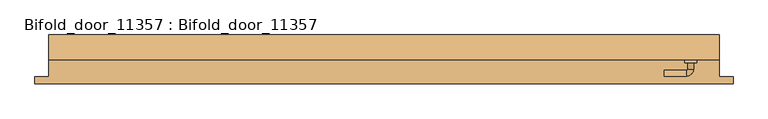
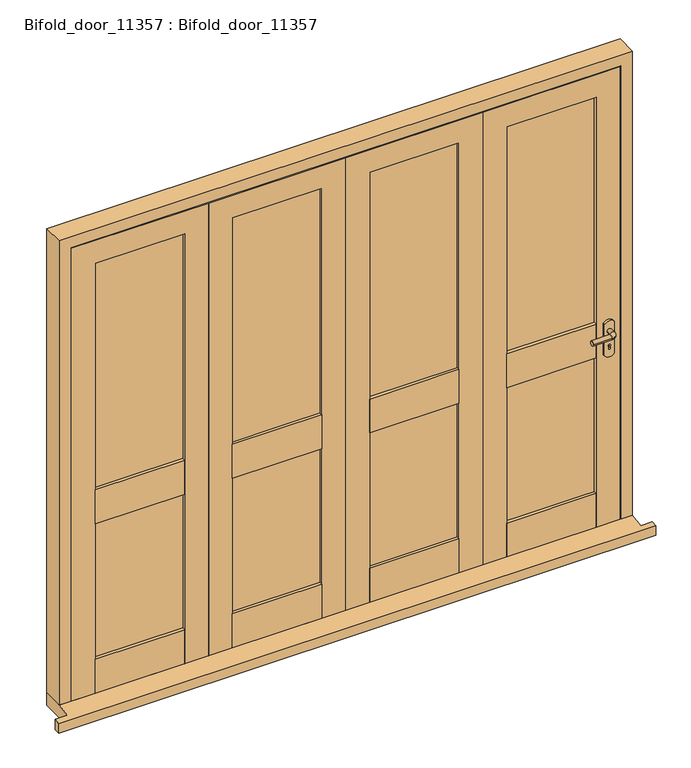
"""IFC4 building model written with IfcOpenShell, lengths in millimetres: door geometry, Bifold_door_11357 : Bifold_door_11357."""

from ifc_helpers import new_model, si_unit, point, frame, frame_2d, origin, place, context, project, spatial, polyline, circle_curve, ellipse_curve, trimmed, segment, composite_curve, outline, extrude, faceted_brep, source, transform, mapped, element, save
from ifc_brep_helpers import plane_surface, cylinder_surface, revolved_surface, advanced_brep


def bifold_door_11357_bifold_door_11357_50c1af08(model_context):
    return source(origin(), model_context, "Body", "SolidModel", [
        extrude(outline(polyline([(100.0, -2.0), (100.0, 12.0), (474.25, 12.0), (474.25, -2.0), (100.0, -2.0)])), frame((0.0, 0.0, 804.5), z_axis=(0.0, 0.0, 1.0), x_axis=(1.0, 0.0, 0.0)), (0.0, 0.0, 1.0), 150.0),
        extrude(outline(polyline([(474.25, 42.0), (474.25, 28.0), (100.0, 28.0), (100.0, 42.0), (474.25, 42.0)])), frame((0.0, 0.0, 804.5), z_axis=(0.0, 0.0, 1.0), x_axis=(1.0, 0.0, 0.0)), (0.0, 0.0, 1.0), 150.0),
        extrude(outline(polyline([(474.25, 28.0), (474.25, 12.0), (100.0, 12.0), (100.0, 28.0), (474.25, 28.0)])), frame((0.0, 0.0, 204.5), z_axis=(0.0, 0.0, 1.0), x_axis=(1.0, 0.0, 0.0)), (0.0, 0.0, 1.0), 1754.0),
        extrude(outline(polyline([(100.0, 42.0), (474.25, 42.0), (474.25, -2.0), (100.0, -2.0), (100.0, 42.0)])), frame((0.0, 0.0, 54.5), z_axis=(0.0, 0.0, 1.0), x_axis=(1.0, 0.0, 0.0)), (0.0, 0.0, 1.0), 150.0),
        extrude(outline(polyline([(54.5, 100.0), (1958.5, 100.0), (1958.5, 474.25), (54.5, 474.25), (54.5, 574.25), (2058.5, 574.25), (2058.5, 0.0), (54.5, 0.0), (54.5, 100.0)])), frame((0.0, -2.0, 0.0), z_axis=(0.0, 1.0, 0.0), x_axis=(0.0, 0.0, 1.0)), (0.0, 0.0, 1.0), 44.0),
        extrude(outline(polyline([(-474.25, -2.0), (-474.25, 12.0), (-100.0, 12.0), (-100.0, -2.0), (-474.25, -2.0)])), frame((0.0, 0.0, 804.5), z_axis=(0.0, 0.0, 1.0), x_axis=(1.0, 0.0, 0.0)), (0.0, 0.0, 1.0), 150.0),
        extrude(outline(polyline([(-100.0, 42.0), (-100.0, 28.0), (-474.25, 28.0), (-474.25, 42.0), (-100.0, 42.0)])), frame((0.0, 0.0, 804.5), z_axis=(0.0, 0.0, 1.0), x_axis=(1.0, 0.0, 0.0)), (0.0, 0.0, 1.0), 150.0),
        extrude(outline(polyline([(-100.0, 28.0), (-100.0, 12.0), (-474.25, 12.0), (-474.25, 28.0), (-100.0, 28.0)])), frame((0.0, 0.0, 204.5), z_axis=(0.0, 0.0, 1.0), x_axis=(1.0, 0.0, 0.0)), (0.0, 0.0, 1.0), 1754.0),
        extrude(outline(polyline([(-474.25, 42.0), (-100.0, 42.0), (-100.0, -2.0), (-474.25, -2.0), (-474.25, 42.0)])), frame((0.0, 0.0, 54.5), z_axis=(0.0, 0.0, 1.0), x_axis=(1.0, 0.0, 0.0)), (0.0, 0.0, 1.0), 150.0),
        extrude(outline(polyline([(54.5, -474.25), (1958.5, -474.25), (1958.5, -100.0), (54.5, -100.0), (54.5, 0.0), (2058.5, 0.0), (2058.5, -574.25), (54.5, -574.25), (54.5, -474.25)])), frame((0.0, -2.0, 0.0), z_axis=(0.0, 1.0, 0.0), x_axis=(0.0, 0.0, 1.0)), (0.0, 0.0, 1.0), 44.0),
        extrude(outline(polyline([(674.25, -2.0), (674.25, 12.0), (1048.5, 12.0), (1048.5, -2.0), (674.25, -2.0)])), frame((0.0, 0.0, 804.5), z_axis=(0.0, 0.0, 1.0), x_axis=(1.0, 0.0, 0.0)), (0.0, 0.0, 1.0), 150.0),
        extrude(outline(polyline([(1048.5, 42.0), (1048.5, 28.0), (674.25, 28.0), (674.25, 42.0), (1048.5, 42.0)])), frame((0.0, 0.0, 804.5), z_axis=(0.0, 0.0, 1.0), x_axis=(1.0, 0.0, 0.0)), (0.0, 0.0, 1.0), 150.0),
        extrude(outline(polyline([(1048.5, 28.0), (1048.5, 12.0), (674.25, 12.0), (674.25, 28.0), (1048.5, 28.0)])), frame((0.0, 0.0, 204.5), z_axis=(0.0, 0.0, 1.0), x_axis=(1.0, 0.0, 0.0)), (0.0, 0.0, 1.0), 1754.0),
        extrude(outline(polyline([(674.25, 42.0), (1048.5, 42.0), (1048.5, -2.0), (674.25, -2.0), (674.25, 42.0)])), frame((0.0, 0.0, 54.5), z_axis=(0.0, 0.0, 1.0), x_axis=(1.0, 0.0, 0.0)), (0.0, 0.0, 1.0), 150.0),
        extrude(outline(polyline([(54.5, 674.25), (1958.5, 674.25), (1958.5, 1048.5), (54.5, 1048.5), (54.5, 1148.5), (2058.5, 1148.5), (2058.5, 574.25), (54.5, 574.25), (54.5, 674.25)])), frame((0.0, -2.0, 0.0), z_axis=(0.0, 1.0, 0.0), x_axis=(0.0, 0.0, 1.0)), (0.0, 0.0, 1.0), 44.0),
        extrude(outline(polyline([(-1048.5, -2.0), (-1048.5, 12.0), (-674.25, 12.0), (-674.25, -2.0), (-1048.5, -2.0)])), frame((0.0, 0.0, 804.5), z_axis=(0.0, 0.0, 1.0), x_axis=(1.0, 0.0, 0.0)), (0.0, 0.0, 1.0), 150.0),
        extrude(outline(polyline([(-674.25, 42.0), (-674.25, 28.0), (-1048.5, 28.0), (-1048.5, 42.0), (-674.25, 42.0)])), frame((0.0, 0.0, 804.5), z_axis=(0.0, 0.0, 1.0), x_axis=(1.0, 0.0, 0.0)), (0.0, 0.0, 1.0), 150.0),
        extrude(outline(polyline([(-674.25, 28.0), (-674.25, 12.0), (-1048.5, 12.0), (-1048.5, 28.0), (-674.25, 28.0)])), frame((0.0, 0.0, 204.5), z_axis=(0.0, 0.0, 1.0), x_axis=(1.0, 0.0, 0.0)), (0.0, 0.0, 1.0), 1754.0),
        extrude(outline(polyline([(-1048.5, 42.0), (-674.25, 42.0), (-674.25, -2.0), (-1048.5, -2.0), (-1048.5, 42.0)])), frame((0.0, 0.0, 54.5), z_axis=(0.0, 0.0, 1.0), x_axis=(1.0, 0.0, 0.0)), (0.0, 0.0, 1.0), 150.0),
        extrude(outline(polyline([(54.5, -1048.5), (1958.5, -1048.5), (1958.5, -674.25), (54.5, -674.25), (54.5, -574.25), (2058.5, -574.25), (2058.5, -1148.5), (54.5, -1148.5), (54.5, -1048.5)])), frame((0.0, -2.0, 0.0), z_axis=(0.0, 1.0, 0.0), x_axis=(0.0, 0.0, 1.0)), (0.0, 0.0, 1.0), 44.0),
        advanced_brep(
        [(1108.5, -12.0, 913.5197851), (1088.5, -12.0, 913.5197851), (1088.5, -35.0, 913.5197851), (1108.5, -35.0, 913.5197851), (1083.5, -40.0, 913.5197851), (1083.5, -60.0, 913.5197851), (1003.3501694, -60.0, 913.5197851), (1003.3501694, -40.0, 913.5197851)],
        [
            (0, 1, circle_curve(frame((1098.5, -12.0, 913.5197851), z_axis=(0.0, 1.0, 0.0), x_axis=(-1.0, 0.0, 0.0)), 10.0)),
            (1, 0, circle_curve(frame((1098.5, -12.0, 913.5197851), z_axis=(0.0, 1.0, 0.0), x_axis=(-1.0, 0.0, 0.0)), 10.0)),
            (1, 2),
            (2, 3, circle_curve(frame((1098.5, -35.0, 913.5197851), z_axis=(0.0, 1.0, 0.0), x_axis=(-1.0, 0.0, 0.0)), 10.0)),
            (3, 0),
            (3, 2, circle_curve(frame((1098.5, -35.0, 913.5197851), z_axis=(0.0, 1.0, 0.0), x_axis=(-1.0, 0.0, 0.0)), 10.0)),
            (4, 5, circle_curve(frame((1083.5, -50.0, 913.5197851), z_axis=(1.0, 0.0, 0.0), x_axis=(0.0, 1.0, 0.0)), 10.0)),
            (5, 3, circle_curve(frame((1083.5, -35.0, 913.5197851), z_axis=(0.0, 0.0, 1.0), x_axis=(1.0, 0.0, 0.0)), 25.0)),
            (2, 4, circle_curve(frame((1083.5, -35.0, 913.5197851), z_axis=(0.0, 0.0, -1.0), x_axis=(1.0, 0.0, 0.0)), 5.0)),
            (5, 4, circle_curve(frame((1083.5, -50.0, 913.5197851), z_axis=(1.0, 0.0, 0.0), x_axis=(0.0, 1.0, 0.0)), 10.0)),
            (6, 7, circle_curve(frame((1003.3501694, -50.0, 913.5197851), z_axis=(-1.0, 0.0, 0.0), x_axis=(0.0, 1.0, 0.0)), 10.0)),
            (7, 6, circle_curve(frame((1003.3501694, -50.0, 913.5197851), z_axis=(-1.0, 0.0, 0.0), x_axis=(0.0, 1.0, 0.0)), 10.0)),
            (4, 7),
            (6, 5),
        ],
        [
            plane_surface(frame((1098.5, -12.0, 0.0), z_axis=(0.0, 1.0, 0.0), x_axis=(0.0, 0.0, 1.0))),
            cylinder_surface(frame((1098.5, -12.0, 913.5197851), z_axis=(0.0, 1.0, 0.0), x_axis=(-1.0, 0.0, 0.0)), 10.0),
            revolved_surface(trimmed(ellipse_curve(frame((1098.5, -35.0, 913.5197851), z_axis=(0.0, -1.0, 0.0), x_axis=(-1.0, 0.0, 0.0)), 10.0, 10.0), [point((1108.5, -35.0, 913.5197851))], [point((1088.5, -35.0, 913.5197851))], True, "CARTESIAN"), (1083.5, -35.0, 0.0), (0.0, 0.0, 1.0)),
            revolved_surface(trimmed(ellipse_curve(frame((1098.5, -35.0, 913.5197851), z_axis=(0.0, -1.0, 0.0), x_axis=(-1.0, 0.0, 0.0)), 10.0, 10.0), [point((1088.5, -35.0, 913.5197851))], [point((1108.5, -35.0, 913.5197851))], True, "CARTESIAN"), (1083.5, -35.0, 0.0), (0.0, 0.0, 1.0)),
            plane_surface(frame((1003.3501694, -50.0, 0.0), z_axis=(-1.0, 0.0, 0.0), x_axis=(0.0, 0.0, 1.0))),
            cylinder_surface(frame((1083.5, -50.0, 913.5197851), z_axis=(1.0, 0.0, 0.0), x_axis=(0.0, 1.0, 0.0)), 10.0),
        ],
        [
            (0, [[1, 2]]),
            (1, [[3, 4, 5, -2]]),
            (1, [[-5, 6, -3, -1]]),
            (2, [[7, 8, -4, 9]]),
            (3, [[10, -9, -6, -8]]),
            (4, [[11, 12]]),
            (5, [[13, -11, 14, -7]]),
            (5, [[-14, -12, -13, -10]]),
        ],
    ),
        extrude(outline(composite_curve([segment(polyline([(809.5, 1119.5), (947.5395702, 1119.5)]), True, "CONTINUOUS"), segment(trimmed(circle_curve(frame_2d((932.9481035, 1098.5)), 25.5716817), [point((947.5395702, 1119.5))], [point((947.5395702, 1077.5))], False, "CARTESIAN"), True, "CONTINUOUS"), segment(polyline([(947.5395702, 1077.5), (809.5, 1077.5)]), True, "CONTINUOUS"), segment(trimmed(circle_curve(frame_2d((824.0914668, 1098.5)), 25.5716817), [point((809.5, 1077.5))], [point((809.5, 1119.5))], False, "CARTESIAN"), True, "CONTINUOUS")], self_intersect=False), holes=[composite_curve([segment(polyline([(834.5197851, 1095.5), (844.5197851, 1095.5)]), True, "CONTINUOUS"), segment(trimmed(circle_curve(frame_2d((848.5197851, 1098.5)), 5.0), [point((844.5197851, 1095.5))], [point((844.5197851, 1101.5))], True, "CARTESIAN"), True, "CONTINUOUS"), segment(polyline([(844.5197851, 1101.5), (834.5197851, 1101.5)]), True, "CONTINUOUS"), segment(trimmed(circle_curve(frame_2d((834.7134009, 1098.5)), 3.0062414), [point((834.5197851, 1101.5))], [point((834.5197851, 1095.5))], True, "CARTESIAN"), True, "CONTINUOUS")], self_intersect=False)]), frame((0.0, -12.0, 0.0), z_axis=(0.0, 1.0, 0.0), x_axis=(0.0, 0.0, 1.0)), (0.0, 0.0, 1.0), 10.0),
        faceted_brep([(1250.0, -87.0, 0.0), (1250.0, -62.0, 0.0), (1250.0, -62.0, 45.4007353), (1250.0, -87.0, 41.609375), (-1250.0, -87.0, 41.609375), (-1250.0, -62.0, 45.4007353), (-1250.0, -62.0, 0.0), (-1250.0, -87.0, 0.0), (-1200.0, 87.0, 54.5), (1200.0, 87.0, 54.5), (1200.0, 87.0, 0.0), (-1200.0, 87.0, 0.0), (-1200.0, -62.0, 0.0), (1200.0, -62.0, 0.0), (1200.0, -62.0, 45.4007353), (1200.0, -2.0, 54.5), (-1200.0, -2.0, 54.5), (-1200.0, -62.0, 45.4007353)], [[[0, 1, 2, 3]], [[4, 5, 6, 7]], [[8, 9, 10, 11]], [[7, 6, 12, 11, 10, 13, 1, 0]], [[3, 4, 7, 0]], [[3, 2, 14, 15, 16, 17, 5, 4]], [[16, 15, 9, 8]], [[12, 6, 5, 17]], [[17, 16, 8, 11, 12]], [[13, 10, 9, 15, 14]], [[14, 2, 1, 13]]]),
        faceted_brep([(1200.0, 87.0, 54.5), (1200.0, -2.0, 54.5), (1151.5, -2.0, 54.5), (1151.5, 45.0, 54.5), (1129.5, 45.0, 54.5), (1129.5, 87.0, 54.5), (1129.5, 87.0, 2039.5), (-1129.5, 87.0, 2039.5), (-1129.5, 87.0, 54.5), (-1200.0, 87.0, 54.5), (-1200.0, 87.0, 2110.0), (1200.0, 87.0, 2110.0), (1129.5, 45.0, 2039.5), (1151.5, 45.0, 2061.5), (-1151.5, 45.0, 2061.5), (-1151.5, 45.0, 54.5), (-1129.5, 45.0, 54.5), (-1129.5, 45.0, 2039.5), (1151.5, -2.0, 2061.5), (1200.0, -2.0, 2110.0), (-1200.0, -2.0, 2110.0), (-1200.0, -2.0, 54.5), (-1151.5, -2.0, 54.5), (-1151.5, -2.0, 2061.5)], [[[0, 1, 2, 3, 4, 5]], [[5, 6, 7, 8, 9, 10, 11, 0]], [[4, 12, 6, 5]], [[3, 13, 14, 15, 16, 17, 12, 4]], [[2, 18, 13, 3]], [[1, 19, 20, 21, 22, 23, 18, 2]], [[0, 11, 19, 1]], [[10, 9, 21, 20]], [[9, 8, 16, 15, 22, 21]], [[17, 16, 8, 7]], [[23, 22, 15, 14]], [[12, 17, 7, 6]], [[18, 23, 14, 13]], [[11, 10, 20, 19]]]),
    ])


if __name__ == "__main__":
    model = new_model("IFC4")
    model_context = context("Model", 3, world=origin())
    ifc_project = project(units=[si_unit("LENGTHUNIT", "METRE", prefix="MILLI")], contexts=[model_context])
    site = spatial("IfcSite", under=ifc_project)
    building = spatial("IfcBuilding", under=site)
    placement = place(None, origin())
    bifold_door_11357_bifold_door_11357_shape = bifold_door_11357_bifold_door_11357_50c1af08(model_context)
    element("IfcDoor", 1, ObjectType="Bifold_door_11357 : Bifold_door_11357", at=placement, inside=building, context=model_context, shape_type="MappedRepresentation", body=[
        mapped(bifold_door_11357_bifold_door_11357_shape, transform((0.0, 0.0, 0.0), x_axis=(1.0, 0.0, 0.0), y_axis=(0.0, 1.0, 0.0), z_axis=(0.0, 0.0, 1.0))),
    ])
    save(model, "model.ifc")
